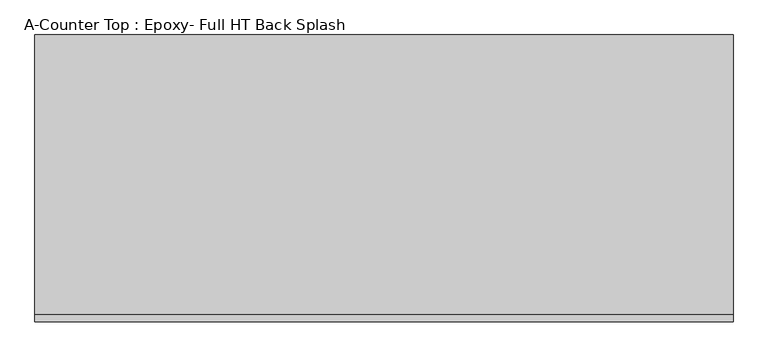
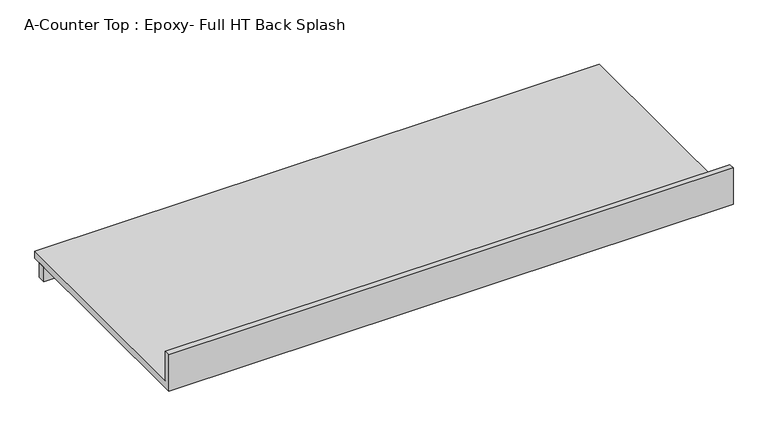
"""IFC4 building model written with IfcOpenShell, lengths in millimetres: furniture geometry, A-Counter Top : Epoxy- Full HT Back Splash."""

import ifcopenshell
import ifcopenshell.guid

model = None  # the IFC model being written
_history = None  # IfcOwnerHistory: only IFC2X3 demands one
_inside = {}  # id of a spatial element -> (the spatial element, [elements in it])
_under = {}  # id of a project, library or spatial element -> (it, [spatial elements below it])
_declared = {}  # id of a project -> (the project, [libraries it declares])
_typed = {}  # id of a type object -> (the type object, [elements of that type])
_made_of = {}  # id of a material, layer set ... -> (it, [elements and type objects made of it])


def new_model(schema):
    """Start an empty IFC model of exactly this schema.

    Asked for "IFC4X3", IfcOpenShell would pick the latest addendum, in which some entities
    have other attributes; the version numbers below select the first issue.
    IFC2X3 requires an IfcOwnerHistory on every rooted entity: one is made here for all.
    """
    global model, _history
    if schema == "IFC4X3":
        model = ifcopenshell.file(schema_version=(4, 3, 0, 0))
    else:
        model = ifcopenshell.file(schema=schema)
    _inside.clear()
    _under.clear()
    _declared.clear()
    _typed.clear()
    _made_of.clear()
    _history = None
    if model.schema == "IFC2X3":
        org = make("IfcOrganization", Name="unknown")
        user = make(
            "IfcPersonAndOrganization",
            ThePerson=make("IfcPerson", FamilyName="unknown"),
            TheOrganization=org,
        )
        app = make(
            "IfcApplication",
            ApplicationDeveloper=org,
            Version="unknown",
            ApplicationFullName="unknown",
            ApplicationIdentifier="unknown",
        )
        _history = make(
            "IfcOwnerHistory",
            OwningUser=user,
            OwningApplication=app,
            ChangeAction="ADDED",
            CreationDate=0,
        )
    return model


def make(cls, **values):
    """One entity of the class cls with the attributes given. An attribute that is None is left unset."""
    return model.create_entity(
        cls, **{name: value for name, value in values.items() if value is not None}
    )


def rooted(cls, **values):
    """An entity with a GlobalId (a new one), such as an element, a storey or a relation."""
    return make(cls, GlobalId=ifcopenshell.guid.new(), OwnerHistory=_history, **values)


def si_unit(unit_type, name, prefix=None):
    """IfcSIUnit, for example si_unit("LENGTHUNIT", "METRE", prefix="MILLI")."""
    return make("IfcSIUnit", UnitType=unit_type, Prefix=prefix, Name=name)


def assignment(units):
    """IfcUnitAssignment: the units of a project."""
    return None if units is None else make("IfcUnitAssignment", Units=units)


def point(xyz):
    """IfcCartesianPoint."""
    return None if xyz is None else make("IfcCartesianPoint", Coordinates=xyz)


def direction(xyz):
    """IfcDirection."""
    return None if xyz is None else make("IfcDirection", DirectionRatios=xyz)


def frame(location, z_axis=None, x_axis=None):
    """IfcAxis2Placement3D, a coordinate frame: its origin and axes. An axis left out is left unset."""
    return make(
        "IfcAxis2Placement3D",
        Location=point(location),
        Axis=direction(z_axis),
        RefDirection=direction(x_axis),
    )


def origin():
    """The frame at (0, 0, 0) with its axes left unset."""
    return frame((0.0, 0.0, 0.0))


def place(relative_to, where):
    """IfcLocalPlacement: puts the frame where relative to a parent placement (None: the world)."""
    return make(
        "IfcLocalPlacement", PlacementRelTo=relative_to, RelativePlacement=where
    )


def context(
    kind, dimensions, precision=None, world=None, true_north=None, identifier=None
):
    """IfcGeometricRepresentationContext, for example the 3D "Model" context."""
    return make(
        "IfcGeometricRepresentationContext",
        ContextIdentifier=identifier,
        ContextType=kind,
        CoordinateSpaceDimension=dimensions,
        Precision=precision,
        WorldCoordinateSystem=world,
        TrueNorth=true_north,
    )


def project(units=None, contexts=None):
    """IfcProject with its units and contexts."""
    return rooted(
        "IfcProject",
        Name="project",
        RepresentationContexts=contexts,
        UnitsInContext=assignment(units),
    )


def spatial(cls, under=None, at=None, **own):
    """A site, building, storey or space (cls), placed at a placement, below another one or the project."""
    s = rooted(cls, ObjectPlacement=at, **own)
    if under is not None:
        _under.setdefault(under.id(), (under, []))[1].append(s)
    return s


def polyline(points):
    """IfcPolyline through the points."""
    return make("IfcPolyline", Points=[point(p) for p in points])


def outline(outer, holes=None, kind="AREA"):
    """IfcArbitraryClosedProfileDef: a profile drawn as a closed curve; with holes, ...WithVoids."""
    if holes is None:
        return make("IfcArbitraryClosedProfileDef", ProfileType=kind, OuterCurve=outer)
    return make(
        "IfcArbitraryProfileDefWithVoids",
        ProfileType=kind,
        OuterCurve=outer,
        InnerCurves=holes,
    )


def extrude(swept, where, along, depth):
    """IfcExtrudedAreaSolid: the profile swept, set in the frame where, extruded along a direction by depth."""
    return make(
        "IfcExtrudedAreaSolid",
        SweptArea=swept,
        Position=where,
        ExtrudedDirection=direction(along),
        Depth=depth,
    )


def shape(context_of_items, identifier, shape_type, items):
    """IfcShapeRepresentation: the items that make up one representation, for example the "Body"."""
    return make(
        "IfcShapeRepresentation",
        ContextOfItems=context_of_items,
        RepresentationIdentifier=identifier,
        RepresentationType=shape_type,
        Items=items,
    )


def source(mapping_origin, context_of_items, identifier, shape_type, items):
    """IfcRepresentationMap: a shape defined once, which mapped items show again and again."""
    return make(
        "IfcRepresentationMap",
        MappingOrigin=mapping_origin,
        MappedRepresentation=shape(context_of_items, identifier, shape_type, items),
    )


def transform(
    local_origin,
    x_axis=None,
    y_axis=None,
    z_axis=None,
    scale=None,
    scale2=None,
    scale3=None,
    uniform=True,
):
    """IfcCartesianTransformationOperator3D, or its non-uniform kind. x_axis, y_axis, z_axis: its Axis1, 2, 3."""
    if uniform:
        return make(
            "IfcCartesianTransformationOperator3D",
            Axis1=direction(x_axis),
            Axis2=direction(y_axis),
            LocalOrigin=point(local_origin),
            Scale=scale,
            Axis3=direction(z_axis),
        )
    return make(
        "IfcCartesianTransformationOperator3DnonUniform",
        Axis1=direction(x_axis),
        Axis2=direction(y_axis),
        LocalOrigin=point(local_origin),
        Scale=scale,
        Axis3=direction(z_axis),
        Scale2=scale2,
        Scale3=scale3,
    )


def mapped(mapping_source, mapping_target):
    """IfcMappedItem: shows the shape of a source again, moved by a transform."""
    return make(
        "IfcMappedItem", MappingSource=mapping_source, MappingTarget=mapping_target
    )


def made_of(thing, what):
    """Note that an element or type object is made of a material, layer set ...; save() writes the relation."""
    if what is not None:
        _made_of.setdefault(what.id(), (what, []))[1].append(thing)
    return thing


def element(
    cls,
    number,
    at=None,
    inside=None,
    cuts=None,
    type_object=None,
    material=None,
    context=None,
    identifier="Body",
    shape_type=None,
    held_by="IfcProductDefinitionShape",
    body=None,
    shapes=None,
    **own,
):
    """One element of the class cls, such as IfcWall. Its Tag is "e" and its number.

    at: its placement. inside: the storey or other place that contains it. cuts: it is an
    opening in that element (IfcRelVoidsElement). A single representation is given by context,
    identifier, shape_type and body (its items); several are given by shapes. held_by: the class
    of the entity that holds the representations. save() writes the other relations.
    """
    e = rooted(cls, Tag="e%d" % number, ObjectPlacement=at, **own)
    if body is not None:
        shapes = [shape(context, identifier, shape_type, body)]
    if shapes is not None:
        e.Representation = make(held_by, Representations=shapes)
    if inside is not None:
        _inside.setdefault(inside.id(), (inside, []))[1].append(e)
    if cuts is not None:
        rooted(
            "IfcRelVoidsElement", RelatingBuildingElement=cuts, RelatedOpeningElement=e
        )
    if type_object is not None:
        _typed.setdefault(type_object.id(), (type_object, []))[1].append(e)
    return made_of(e, material)


def aggregate(whole, parts):
    """IfcRelAggregates: a whole, such as a stair, and the parts it consists of."""
    return rooted("IfcRelAggregates", RelatingObject=whole, RelatedObjects=parts)


def save(model, path):
    """Write the relations noted so far, then the file.

    IfcRelAggregates (storeys below a building ...), IfcRelContainedInSpatialStructure (elements
    in a storey), IfcRelDefinesByType, IfcRelAssociatesMaterial and IfcRelDeclares: one each for
    every whole, place, type object, material and project.
    """
    for whole, parts in _under.values():
        aggregate(whole, parts)
    for where, things in _inside.values():
        rooted(
            "IfcRelContainedInSpatialStructure",
            RelatedElements=things,
            RelatingStructure=where,
        )
    for kind, things in _typed.values():
        rooted("IfcRelDefinesByType", RelatedObjects=things, RelatingType=kind)
    for what, things in _made_of.values():
        rooted("IfcRelAssociatesMaterial", RelatedObjects=things, RelatingMaterial=what)
    for by, libraries in _declared.values():
        rooted("IfcRelDeclares", RelatingContext=by, RelatedDefinitions=libraries)
    model.write(path)


def a_counter_top_epoxy_full_ht_back_splash_583b8e36(model_context):
    return source(origin(), model_context, "Body", "SweptSolid", [
        extrude(outline(polyline([(0.0, 1041.4), (19.05, 1041.4), (19.05, 939.8), (762.0, 939.8), (762.0, 914.4), (0.0, 914.4), (0.0, 1041.4)])), frame((-1327.4622951, 0.0, 0.0), z_axis=(1.0, 0.0, 0.0), x_axis=(0.0, 1.0, 0.0)), (0.0, 0.0, 1.0), 1854.2),
        extrude(outline(polyline([(526.7377049, 711.2), (-1327.4622951, 711.2), (-1327.4622951, 736.6), (526.7377049, 736.6), (526.7377049, 711.2)])), frame((0.0, 0.0, 863.6), z_axis=(0.0, 0.0, 1.0), x_axis=(1.0, 0.0, 0.0)), (0.0, 0.0, 1.0), 50.8),
    ])


if __name__ == "__main__":
    model = new_model("IFC4")
    model_context = context("Model", 3, world=origin())
    ifc_project = project(units=[si_unit("LENGTHUNIT", "METRE", prefix="MILLI")], contexts=[model_context])
    site = spatial("IfcSite", under=ifc_project)
    building = spatial("IfcBuilding", under=site)
    placement = place(None, origin())
    a_counter_top_epoxy_full_ht_back_splash_shape = a_counter_top_epoxy_full_ht_back_splash_583b8e36(model_context)
    element("IfcFurniture", 1, ObjectType="A-Counter Top : Epoxy- Full HT Back Splash", at=placement, inside=building, context=model_context, shape_type="MappedRepresentation", body=[
        mapped(a_counter_top_epoxy_full_ht_back_splash_shape, transform((0.0, 0.0, 0.0), x_axis=(1.0, 0.0, 0.0), y_axis=(0.0, 1.0, 0.0), z_axis=(0.0, 0.0, 1.0))),
    ])
    save(model, "model.ifc")
